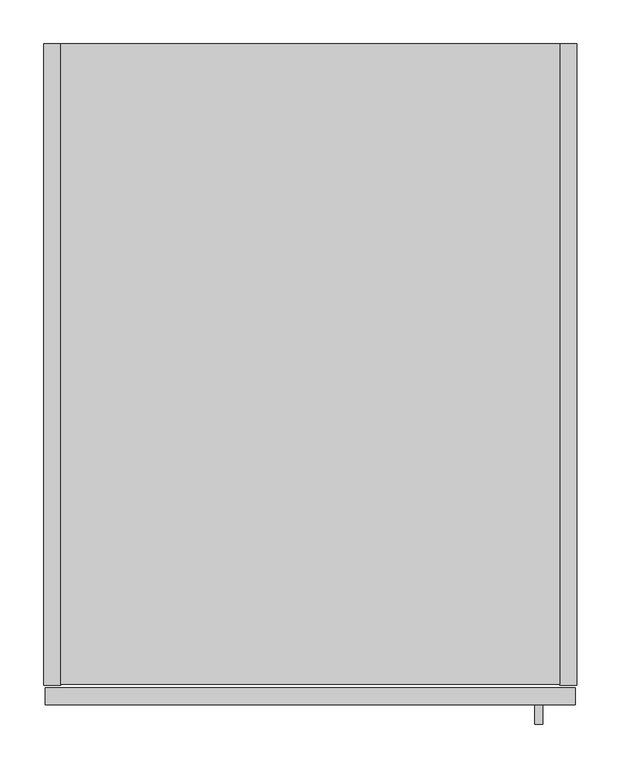
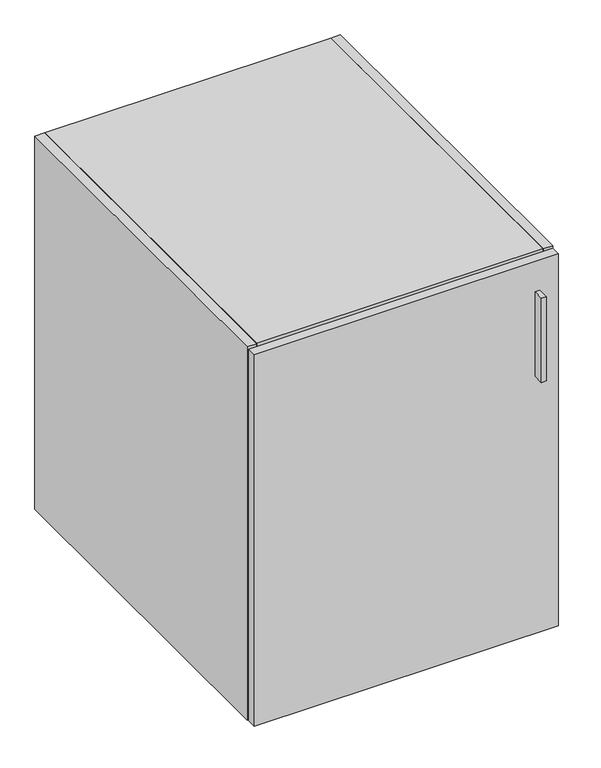
"""IFC4 building model written with IfcOpenShell, lengths in millimetres: furniture geometry."""

from ifc_helpers import new_model, si_unit, frame, origin, place, context, project, spatial, polyline, outline, extrude, source, transform, mapped, element, save


def furniture_352f1b0b(model_context):
    return source(origin(), model_context, "Body", "SweptSolid", [
        extrude(outline(polyline([(570.8638631, -778.129), (561.3388631, -778.129), (561.3388631, -755.904), (570.8638631, -755.904), (570.8638631, -778.129)])), frame((0.0, 0.0, 644.525), z_axis=(0.0, 0.0, 1.0), x_axis=(1.0, 0.0, 0.0)), (0.0, 0.0, 1.0), 177.8),
        extrude(outline(polyline([(590.296, 0.0), (590.296, -19.304), (19.304, -19.304), (19.304, 0.0), (590.296, 0.0)])), frame((0.0, 0.0, 120.904), z_axis=(0.0, 0.0, 1.0), x_axis=(1.0, 0.0, 0.0)), (0.0, 0.0, 1.0), 748.792),
        extrude(outline(polyline([(590.296, -732.4344), (19.304, -732.4344), (19.304, 0.0), (590.296, 0.0), (590.296, -732.4344)])), frame((0.0, 0.0, 869.696), z_axis=(0.0, 0.0, 1.0), x_axis=(1.0, 0.0, 0.0)), (0.0, 0.0, 1.0), 19.304),
        extrude(outline(polyline([(19.304, 0.0), (19.304, -733.425), (0.0, -733.425), (0.0, 0.0), (19.304, 0.0)])), frame((0.0, 0.0, 101.6), z_axis=(0.0, 0.0, 1.0), x_axis=(1.0, 0.0, 0.0)), (0.0, 0.0, 1.0), 787.4),
        extrude(outline(polyline([(590.296, 0.0), (609.6, 0.0), (609.6, -733.425), (590.296, -733.425), (590.296, 0.0)])), frame((0.0, 0.0, 101.6), z_axis=(0.0, 0.0, 1.0), x_axis=(1.0, 0.0, 0.0)), (0.0, 0.0, 1.0), 787.4),
        extrude(outline(polyline([(590.296, 0.0), (590.296, -732.4344), (19.304, -732.4344), (19.304, 0.0), (590.296, 0.0)])), frame((0.0, 0.0, 101.6), z_axis=(0.0, 0.0, 1.0), x_axis=(1.0, 0.0, 0.0)), (0.0, 0.0, 1.0), 19.304),
        extrude(outline(polyline([(608.0125, -755.904), (1.5875, -755.904), (1.5875, -736.6), (608.0125, -736.6), (608.0125, -755.904)])), frame((0.0, 0.0, 101.6), z_axis=(0.0, 0.0, 1.0), x_axis=(1.0, 0.0, 0.0)), (0.0, 0.0, 1.0), 784.225),
    ])


if __name__ == "__main__":
    model = new_model("IFC4")
    model_context = context("Model", 3, world=origin())
    ifc_project = project(units=[si_unit("LENGTHUNIT", "METRE", prefix="MILLI")], contexts=[model_context])
    site = spatial("IfcSite", under=ifc_project)
    building = spatial("IfcBuilding", under=site)
    placement = place(None, origin())
    furniture_shape = furniture_352f1b0b(model_context)
    element("IfcFurniture", 1, at=placement, inside=building, context=model_context, shape_type="MappedRepresentation", body=[
        mapped(furniture_shape, transform((0.0, 0.0, 0.0), x_axis=(1.0, 0.0, 0.0), y_axis=(0.0, 1.0, 0.0), z_axis=(0.0, 0.0, 1.0))),
    ])
    save(model, "model.ifc")
